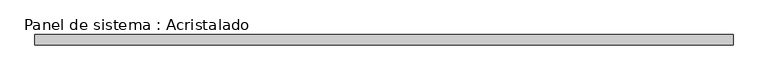
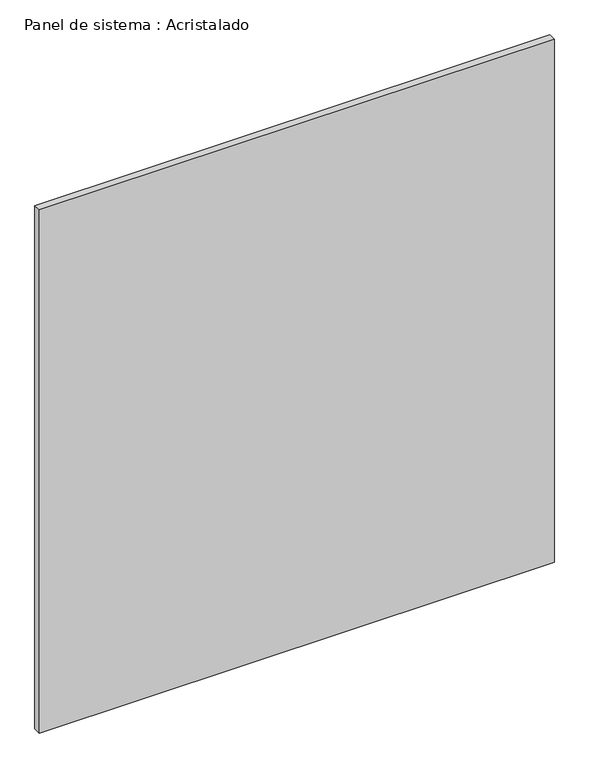
"""IFC4 building model written with IfcOpenShell, lengths in millimetres: plate geometry, Panel de sistema : Acristalado."""

from ifc_helpers import new_model, si_unit, origin, origin_with_axes, place, context, project, spatial, polyline, outline, extrude, source, transform, mapped, element, save


def panel_de_sistema_acristalado_8adeb5e5(model_context):
    return source(origin(), model_context, "Body", "SweptSolid", [
        extrude(outline(polyline([(671.1786508, -10.0), (-671.1786508, -10.0), (-671.1786508, 10.0), (671.1786508, 10.0), (671.1786508, -10.0)])), origin_with_axes(), (0.0, 0.0, 1.0), 1441.0),
    ])


if __name__ == "__main__":
    model = new_model("IFC4")
    model_context = context("Model", 3, world=origin())
    ifc_project = project(units=[si_unit("LENGTHUNIT", "METRE", prefix="MILLI")], contexts=[model_context])
    site = spatial("IfcSite", under=ifc_project)
    building = spatial("IfcBuilding", under=site)
    placement = place(None, origin())
    panel_de_sistema_acristalado_shape = panel_de_sistema_acristalado_8adeb5e5(model_context)
    element("IfcPlate", 1, ObjectType="Panel de sistema : Acristalado", at=placement, inside=building, context=model_context, shape_type="MappedRepresentation", body=[
        mapped(panel_de_sistema_acristalado_shape, transform((0.0, 0.0, 0.0), x_axis=(1.0, 0.0, 0.0), y_axis=(0.0, 1.0, 0.0), z_axis=(0.0, 0.0, 1.0))),
    ])
    save(model, "model.ifc")
